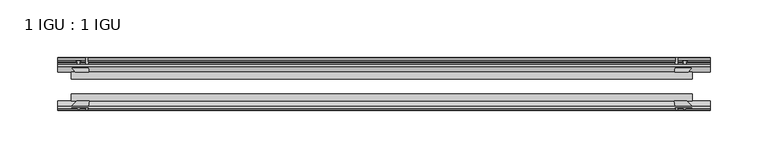
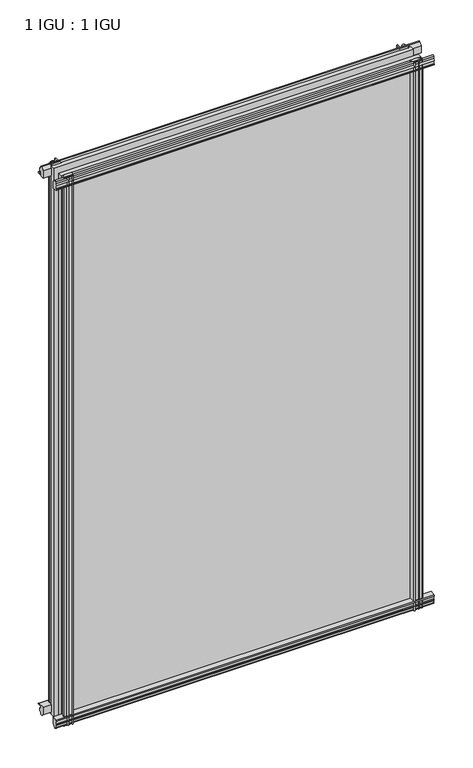
"""IFC4 building model written with IfcOpenShell, lengths in millimetres: plate geometry, 1 IGU : 1 IGU."""

from ifc_helpers import new_model, si_unit, point, frame, frame_2d, origin, place, context, project, spatial, polyline, circle_curve, trimmed, segment, composite_curve, outline, extrude, source, transform, mapped, element, save


def plate_1_igu_1_igu_25165a58(model_context):
    return source(origin(), model_context, "Body", "SweptSolid", [
        extrude(outline(composite_curve([segment(polyline([(-57.0900403, 1.731044), (-50.00625, 3.0983599), (-50.00625, -7.92383), (-54.1882244, -12.1058044)]), True, "CONTINUOUS"), segment(trimmed(circle_curve(frame_2d((-55.08625, -11.2077788)), 1.27), [point((-54.1882244, -12.1058044))], [point((-56.35625, -11.2077788))], False, "CARTESIAN"), True, "CONTINUOUS"), segment(polyline([(-56.35625, -11.2077788), (-56.35625, -8.0327788), (-57.835546, -5.4488186), (-56.35625, -5.1879788), (-56.35625, 0.2222212), (-57.65913, 0.0383748)]), True, "CONTINUOUS"), segment(trimmed(circle_curve(frame_2d((-56.9150839, 0.7302212)), 1.016), [point((-57.65913, 0.0383748))], [point((-57.0900403, 1.731044))], False, "CARTESIAN"), True, "CONTINUOUS")], self_intersect=False)), frame((-281.6987, 0.0, 0.0), z_axis=(1.0, 0.0, 0.0), x_axis=(0.0, 1.0, 0.0)), (0.0, 0.0, 1.0), 567.436),
        extrude(outline(composite_curve([segment(polyline([(-24.60625, 2.5763839), (-12.8423053, 1.6478499)]), True, "CONTINUOUS"), segment(trimmed(circle_curve(frame_2d((-12.92225, 0.635)), 1.016), [point((-12.8423053, 1.6478499))], [point((-12.1291353, 0.0))], False, "CARTESIAN"), True, "CONTINUOUS"), segment(polyline([(-12.1291353, 0.0), (-18.25625, 0.0), (-18.25625, -4.953), (-15.9568457, -5.5691235), (-16.3325195, -4.1670901), (-15.4738114, -3.937), (-14.82725, -6.35), (-15.4738114, -8.763), (-16.3325195, -8.5329099), (-15.9568457, -7.1308765), (-18.25625, -7.747), (-18.25625, -12.7), (-20.28825, -12.7), (-24.60625, -9.1036931), (-24.60625, 2.5763839)]), True, "CONTINUOUS")], self_intersect=False)), frame((-281.6987, 0.0, 0.0), z_axis=(1.0, 0.0, 0.0), x_axis=(0.0, 1.0, 0.0)), (0.0, 0.0, 1.0), 567.436),
        extrude(outline(composite_curve([segment(polyline([(-20.28825, 857.1484), (-18.25625, 857.1484), (-18.25625, 852.1954), (-15.9568457, 851.5792765), (-16.3325195, 852.9813099), (-15.4738114, 853.2114), (-14.82725, 850.7984), (-15.4738114, 848.3854), (-16.3325195, 848.6154901), (-15.9568457, 850.0175235), (-18.25625, 849.4014), (-18.25625, 844.4484), (-12.1291353, 844.4484)]), True, "CONTINUOUS"), segment(trimmed(circle_curve(frame_2d((-12.92225, 843.8134)), 1.016), [point((-12.1291353, 844.4484))], [point((-12.8423053, 842.8005501))], False, "CARTESIAN"), True, "CONTINUOUS"), segment(polyline([(-12.8423053, 842.8005501), (-24.60625, 841.8720161), (-24.60625, 853.5520931), (-20.28825, 857.1484)]), True, "CONTINUOUS")], self_intersect=False)), frame((-281.6987, 0.0, 0.0), z_axis=(1.0, 0.0, 0.0), x_axis=(0.0, 1.0, 0.0)), (0.0, 0.0, 1.0), 567.436),
        extrude(outline(composite_curve([segment(trimmed(circle_curve(frame_2d((-56.9150839, 843.7181788)), 1.016), [point((-57.0900403, 842.717356))], [point((-57.65913, 844.4100252))], False, "CARTESIAN"), True, "CONTINUOUS"), segment(polyline([(-57.65913, 844.4100252), (-56.35625, 844.2261788), (-56.35625, 849.6363788), (-57.835546, 849.8972186), (-56.35625, 852.4811788), (-56.35625, 855.6561788)]), True, "CONTINUOUS"), segment(trimmed(circle_curve(frame_2d((-55.08625, 855.6561788)), 1.27), [point((-56.35625, 855.6561788))], [point((-54.1882244, 856.5542044))], False, "CARTESIAN"), True, "CONTINUOUS"), segment(polyline([(-54.1882244, 856.5542044), (-50.00625, 852.37223), (-50.00625, 841.3500401), (-57.0900403, 842.717356)]), True, "CONTINUOUS")], self_intersect=False)), frame((-281.6987, 0.0, 0.0), z_axis=(1.0, 0.0, 0.0), x_axis=(0.0, 1.0, 0.0)), (0.0, 0.0, 1.0), 567.436),
        extrude(outline(composite_curve([segment(polyline([(254.5859161, -24.60625), (255.5144501, -12.8423053)]), True, "CONTINUOUS"), segment(trimmed(circle_curve(frame_2d((256.5273, -12.92225)), 1.016), [point((255.5144501, -12.8423053))], [point((257.1623, -12.1291353))], False, "CARTESIAN"), True, "CONTINUOUS"), segment(polyline([(257.1623, -12.1291353), (257.1623, -18.25625), (262.1153, -18.25625), (262.7314235, -15.9568457), (261.3293901, -16.3325195), (261.0993, -15.4738114), (263.5123, -14.82725), (265.9253, -15.4738114), (265.6952099, -16.3325195), (264.2931765, -15.9568457), (264.9093, -18.25625), (269.8623, -18.25625), (269.8623, -20.28825), (266.2659931, -24.60625), (254.5859161, -24.60625)]), True, "CONTINUOUS")], self_intersect=False)), frame((0.0, 0.0, -12.7), z_axis=(0.0, 0.0, 1.0), x_axis=(1.0, 0.0, 0.0)), (0.0, 0.0, 1.0), 869.8484),
        extrude(outline(composite_curve([segment(polyline([(262.3502788, -56.35625), (256.9400788, -56.35625), (257.1239252, -57.65913)]), True, "CONTINUOUS"), segment(trimmed(circle_curve(frame_2d((256.4320788, -56.9150839)), 1.016), [point((257.1239252, -57.65913))], [point((255.431256, -57.0900403))], False, "CARTESIAN"), True, "CONTINUOUS"), segment(polyline([(255.431256, -57.0900403), (254.0639401, -50.00625), (265.08613, -50.00625), (269.2681044, -54.1882244)]), True, "CONTINUOUS"), segment(trimmed(circle_curve(frame_2d((268.3700788, -55.08625)), 1.27), [point((269.2681044, -54.1882244))], [point((268.3700788, -56.35625))], False, "CARTESIAN"), True, "CONTINUOUS"), segment(polyline([(268.3700788, -56.35625), (265.1950788, -56.35625), (262.6111186, -57.835546), (262.3502788, -56.35625)]), True, "CONTINUOUS")], self_intersect=False)), frame((0.0, 0.0, -12.7), z_axis=(0.0, 0.0, 1.0), x_axis=(1.0, 0.0, 0.0)), (0.0, 0.0, 1.0), 869.8484),
        extrude(outline(composite_curve([segment(polyline([(-254.5859161, -24.60625), (-266.2659931, -24.60625), (-269.8623, -20.28825), (-269.8623, -18.25625), (-264.9093, -18.25625), (-264.2931765, -15.9568457), (-265.6952099, -16.3325195), (-265.9253, -15.4738114), (-263.5123, -14.82725), (-261.0993, -15.4738114), (-261.3293901, -16.3325195), (-262.7314235, -15.9568457), (-262.1153, -18.25625), (-257.1623, -18.25625), (-257.1623, -12.1291353)]), True, "CONTINUOUS"), segment(trimmed(circle_curve(frame_2d((-256.5273, -12.92225)), 1.016), [point((-257.1623, -12.1291353))], [point((-255.5144501, -12.8423053))], False, "CARTESIAN"), True, "CONTINUOUS"), segment(polyline([(-255.5144501, -12.8423053), (-254.5859161, -24.60625)]), True, "CONTINUOUS")], self_intersect=False)), frame((0.0, 0.0, -12.7), z_axis=(0.0, 0.0, 1.0), x_axis=(1.0, 0.0, 0.0)), (0.0, 0.0, 1.0), 869.8484),
        extrude(outline(composite_curve([segment(polyline([(-254.0639401, -50.00625), (-255.431256, -57.0900403)]), True, "CONTINUOUS"), segment(trimmed(circle_curve(frame_2d((-256.4320788, -56.9150839)), 1.016), [point((-255.431256, -57.0900403))], [point((-257.1239252, -57.65913))], False, "CARTESIAN"), True, "CONTINUOUS"), segment(polyline([(-257.1239252, -57.65913), (-256.9400788, -56.35625), (-262.3502788, -56.35625), (-262.6111186, -57.835546), (-265.1950788, -56.35625), (-268.3700788, -56.35625)]), True, "CONTINUOUS"), segment(trimmed(circle_curve(frame_2d((-268.3700788, -55.08625)), 1.27), [point((-268.3700788, -56.35625))], [point((-269.2681044, -54.1882244))], False, "CARTESIAN"), True, "CONTINUOUS"), segment(polyline([(-269.2681044, -54.1882244), (-265.08613, -50.00625), (-254.0639401, -50.00625)]), True, "CONTINUOUS")], self_intersect=False)), frame((0.0, 0.0, -12.7), z_axis=(0.0, 0.0, 1.0), x_axis=(1.0, 0.0, 0.0)), (0.0, 0.0, 1.0), 869.8484),
        extrude(outline(polyline([(-269.8623, -24.60625), (269.8623, -24.60625), (269.8623, -30.95625), (-269.8623, -30.95625), (-269.8623, -24.60625)])), frame((0.0, 0.0, -12.7), z_axis=(0.0, 0.0, 1.0), x_axis=(1.0, 0.0, 0.0)), (0.0, 0.0, 1.0), 869.8484),
        extrude(outline(polyline([(269.8623, -43.65625), (269.8623, -50.00625), (-269.8623, -50.00625), (-269.8623, -43.65625), (269.8623, -43.65625)])), frame((0.0, 0.0, -12.7), z_axis=(0.0, 0.0, 1.0), x_axis=(1.0, 0.0, 0.0)), (0.0, 0.0, 1.0), 869.8484),
    ])


if __name__ == "__main__":
    model = new_model("IFC4")
    model_context = context("Model", 3, world=origin())
    ifc_project = project(units=[si_unit("LENGTHUNIT", "METRE", prefix="MILLI")], contexts=[model_context])
    site = spatial("IfcSite", under=ifc_project)
    building = spatial("IfcBuilding", under=site)
    placement = place(None, origin())
    plate_1_igu_1_igu_shape = plate_1_igu_1_igu_25165a58(model_context)
    element("IfcPlate", 1, ObjectType="1 IGU : 1 IGU", at=placement, inside=building, context=model_context, shape_type="MappedRepresentation", body=[
        mapped(plate_1_igu_1_igu_shape, transform((0.0, 0.0, 0.0), x_axis=(1.0, 0.0, 0.0), y_axis=(0.0, 1.0, 0.0), z_axis=(0.0, 0.0, 1.0))),
    ])
    save(model, "model.ifc")
